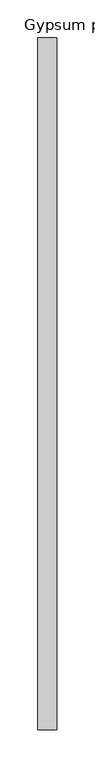
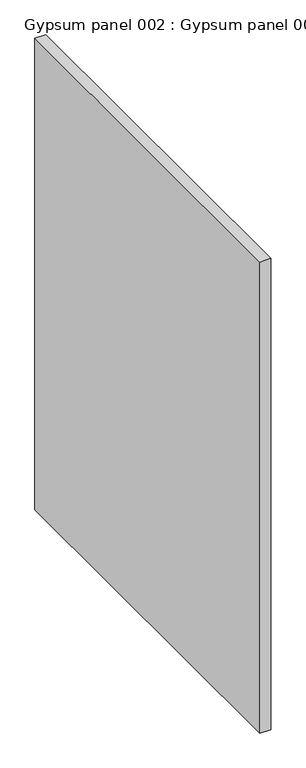
"""IFC4 building model written with IfcOpenShell, lengths in millimetres: proxy geometry, Gypsum panel 002 : Gypsum panel 002."""

from ifc_helpers import new_model, si_unit, frame, origin, place, context, project, spatial, polyline, outline, extrude, source, transform, mapped, element, save


def gypsum_panel_002_gypsum_panel_002_8afacc59(model_context):
    return source(origin(), model_context, "Body", "SweptSolid", [
        extrude(outline(polyline([(37252.7456099, -19576.8264268), (37227.7380854, -19576.8264268), (37227.7380854, -18662.4264268), (37252.7456099, -18662.4264268), (37252.7456099, -19576.8264268)])), frame((0.0, 0.0, 152.4), z_axis=(0.0, 0.0, 1.0), x_axis=(1.0, 0.0, 0.0)), (0.0, 0.0, 1.0), 1168.4),
    ])


if __name__ == "__main__":
    model = new_model("IFC4")
    model_context = context("Model", 3, world=origin())
    ifc_project = project(units=[si_unit("LENGTHUNIT", "METRE", prefix="MILLI")], contexts=[model_context])
    site = spatial("IfcSite", under=ifc_project)
    building = spatial("IfcBuilding", under=site)
    placement = place(None, origin())
    gypsum_panel_002_gypsum_panel_002_shape = gypsum_panel_002_gypsum_panel_002_8afacc59(model_context)
    element("IfcBuildingElementProxy", 1, Name="Gypsum panel 002 : Gypsum panel 002", ObjectType="Gypsum panel 002 : Gypsum panel 002", at=placement, inside=building, context=model_context, shape_type="MappedRepresentation", body=[
        mapped(gypsum_panel_002_gypsum_panel_002_shape, transform((0.0, 0.0, 0.0), x_axis=(1.0, 0.0, 0.0), y_axis=(0.0, 1.0, 0.0), z_axis=(0.0, 0.0, 1.0))),
    ])
    save(model, "model.ifc")
